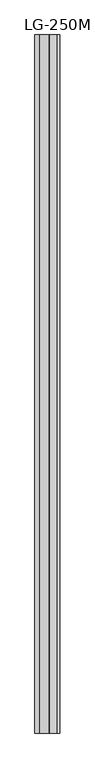
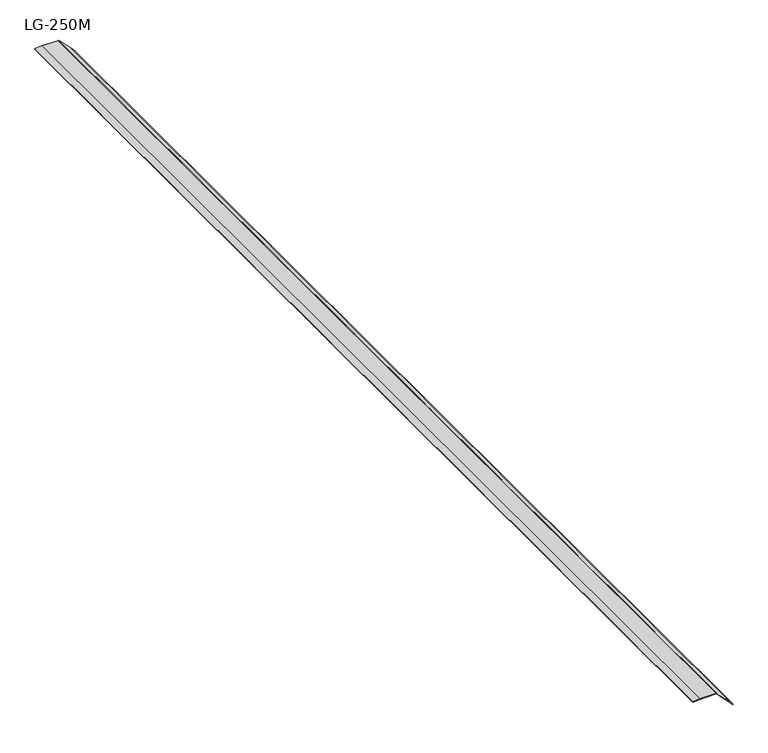
"""IFC4 building model written with IfcOpenShell, lengths in millimetres: proxy geometry, LG-250M."""

from ifc_helpers import new_model, si_unit, point, frame, frame_2d, origin, place, context, project, spatial, polyline, circle_curve, trimmed, segment, composite_curve, outline, extrude, source, transform, mapped, element, save


def lg_250m_c94da7c4(model_context):
    return source(origin(), model_context, "Body", "SweptSolid", [
        extrude(outline(composite_curve([segment(polyline([(2.8283542, -43.736013), (0.9657795, -62.2237914), (0.0, -62.2237914), (0.8623031, -44.6673004), (1.2847753, 0.6559008), (-31.0774036, 32.4570885), (-44.1948241, 44.1739972), (-43.4255839, 44.9432374), (-29.2430182, 33.382297), (1.8494022, 2.2551753)]), True, "CONTINUOUS"), segment(trimmed(circle_curve(frame_2d((-0.5232597, -0.1148416)), 3.3535808), [point((1.8494022, 2.2551753))], [point((2.8283542, 0.0))], False, "CARTESIAN"), True, "CONTINUOUS"), segment(polyline([(2.8283542, 0.0), (2.8283542, -43.736013)]), True, "CONTINUOUS")], self_intersect=False)), frame((0.0, -1141.4125, 0.0), z_axis=(0.0, 1.0, 0.0), x_axis=(0.0, 0.0, 1.0)), (0.0, 0.0, 1.0), 3021.0125),
    ])


if __name__ == "__main__":
    model = new_model("IFC4")
    model_context = context("Model", 3, world=origin())
    ifc_project = project(units=[si_unit("LENGTHUNIT", "METRE", prefix="MILLI")], contexts=[model_context])
    site = spatial("IfcSite", under=ifc_project)
    building = spatial("IfcBuilding", under=site)
    placement = place(None, origin())
    lg_250m_shape = lg_250m_c94da7c4(model_context)
    element("IfcBuildingElementProxy", 1, Name="LG-250M", ObjectType="LG-250M", at=placement, inside=building, context=model_context, shape_type="MappedRepresentation", body=[
        mapped(lg_250m_shape, transform((0.0, 0.0, 0.0), x_axis=(1.0, 0.0, 0.0), y_axis=(0.0, 1.0, 0.0), z_axis=(0.0, 0.0, 1.0))),
    ])
    save(model, "model.ifc")
